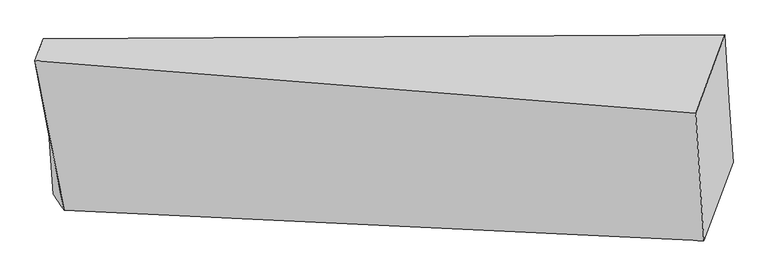
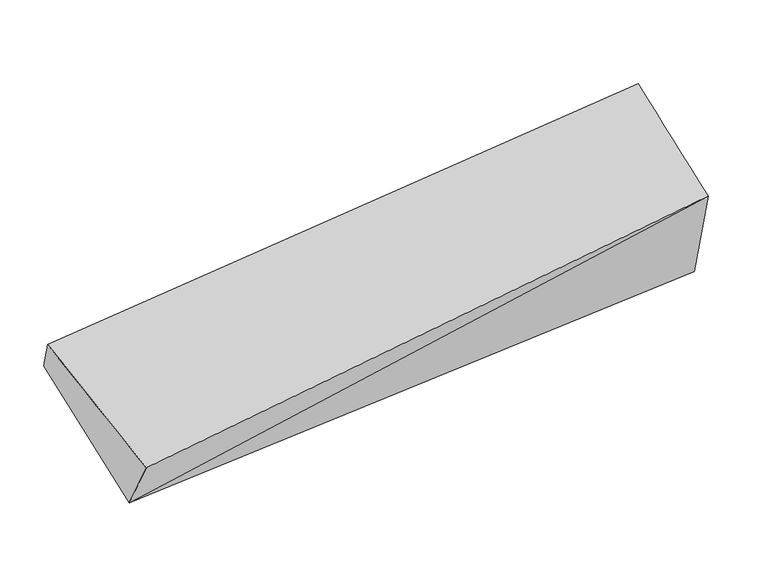
"""IFC4 building model written with IfcOpenShell, lengths in millimetres: proxy geometry."""

from ifc_helpers import new_model, si_unit, frame, origin, place, context, project, spatial, source, transform, mapped, element, save
from ifc_brep_helpers import plane_surface, spline_surface, advanced_brep


def generic_models_8b6d054e(model_context):
    return source(origin(), model_context, "Body", "AdvancedBrep", [
        advanced_brep(
        [(-4085.3062089, -1702.2150161, 1621.4371311), (-4103.9864264, -1413.8945216, 1767.250859), (-1583.5698612, -1349.7587495, 1847.4759363), (-1568.3607594, -1584.5041827, 1728.7569851), (-4045.0933377, -1761.3016687, 1803.6089777), (-1676.2693561, -1874.7564566, 2288.8546125), (-4153.0159368, -1207.2074792, 2070.5920447), (-1706.8610104, -1402.5884599, 2527.6464331), (-4122.666644, -1125.5740272, 1913.0645869), (-1598.9524136, -1112.336186, 1967.5488057)],
        [
            (0, 1),
            (1, 2),
            (2, 3),
            (3, 0),
            (4, 0),
            (0, 5),
            (5, 4),
            (6, 4),
            (5, 7),
            (7, 6),
            (8, 6),
            (7, 9),
            (9, 8),
            (1, 8),
            (9, 2),
            (5, 3),
        ],
        [
            plane_surface(frame((-4094.6463177, -1558.0547689, 1694.3439951), z_axis=(0.016881554592264713, 0.4521094704352909, -0.8918026911022805), x_axis=(-0.057720102402102895, 0.8908830126018037, 0.45055060496710625))),
            plane_surface(frame((-4065.1997733, -1731.7583424, 1712.5230544), z_axis=(0.018450390517864568, -0.9498525533406449, -0.3121533437302828), x_axis=(-0.20549188401685414, 0.30193883728934545, -0.9309167654197459))),
            spline_surface(1, 1, [[(-4153.0159368, -1207.2074792, 2070.5920447), (-1706.8610104, -1402.5884599, 2527.6464331)], [(-4045.0933377, -1761.3016687, 1803.6089777), (-1676.2693561, -1874.7564566, 2288.8546125)]], [2, 2], [2, 2], [0.0, 1.0], [0.0, 1.0]),
            plane_surface(frame((-4137.8412904, -1166.3907532, 1991.8283158), z_axis=(-0.014547094031342453, 0.8889120166912217, 0.45784692708064445), x_axis=(-0.16860718238400868, -0.4535191778910301, 0.8751525428938489))),
            plane_surface(frame((-4113.3265352, -1269.7342744, 1840.157723), z_axis=(0.016881554592264505, 0.45210947043528793, -0.8918026911022819), x_axis=(-0.05772010240210256, 0.8908830126018051, 0.4505506049671033))),
            plane_surface(frame((-1637.6108849, -1493.5463213, 2128.2017091), z_axis=(0.9839918738623896, -0.02545217363162111, 0.17638644797775538), x_axis=(0.05772010240210214, -0.8908830126018048, -0.45055060496710414))),
            spline_surface(1, 1, [[(-4085.3062089, -1702.2150161, 1621.4371311), (-4122.666644, -1125.5740272, 1913.0645869)], [(-4045.0933377, -1761.3016687, 1803.6089777), (-4153.0159368, -1207.2074792, 2070.5920447)]], [2, 2], [2, 2], [0.0, 1.0], [0.0, 1.0]),
            plane_surface(frame((-4085.3062089, -1702.2150161, 1621.4371311), z_axis=(0.06085474179915206, -0.89095958020706, -0.4499863629464988), x_axis=(0.16860718238400899, 0.4535191778910311, -0.8751525428938484))),
        ],
        [
            (0, [[1, 2, 3, 4]]),
            (1, [[5, 6, 7]]),
            (2, [[8, -7, 9, 10]]),
            (3, [[11, -10, 12, 13]]),
            (4, [[14, -13, 15, -2]]),
            (5, [[-9, 16, -3, -15, -12]]),
            (6, [[-1, -5, -8, -11, -14]]),
            (7, [[-16, -6, -4]]),
        ],
    ),
    ])


if __name__ == "__main__":
    model = new_model("IFC4")
    model_context = context("Model", 3, world=origin())
    ifc_project = project(units=[si_unit("LENGTHUNIT", "METRE", prefix="MILLI")], contexts=[model_context])
    site = spatial("IfcSite", under=ifc_project)
    building = spatial("IfcBuilding", under=site)
    placement = place(None, origin())
    generic_models_shape = generic_models_8b6d054e(model_context)
    element("IfcBuildingElementProxy", 1, Name="Generic Models", at=placement, inside=building, context=model_context, shape_type="MappedRepresentation", body=[
        mapped(generic_models_shape, transform((0.0, 0.0, 0.0), x_axis=(1.0, 0.0, 0.0), y_axis=(0.0, 1.0, 0.0), z_axis=(0.0, 0.0, 1.0))),
    ])
    save(model, "model.ifc")
